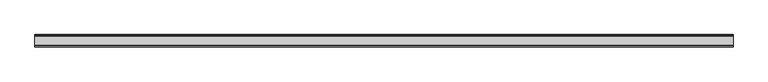
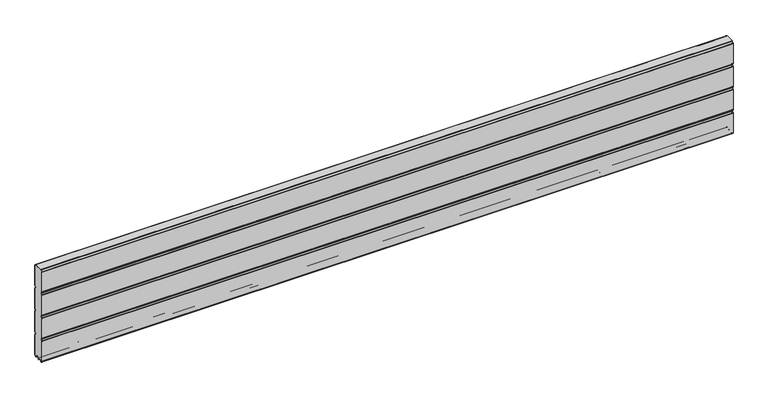
"""IFC4 building model written with IfcOpenShell, lengths in millimetres: plate geometry."""

from ifc_helpers import new_model, si_unit, point, frame, frame_2d, origin, place, context, project, spatial, polyline, circle_curve, trimmed, segment, composite_curve, outline, extrude, source, transform, mapped, element, save


def plate_45418bb8(model_context):
    return source(origin(), model_context, "Body", "SweptSolid", [
        extrude(outline(composite_curve([segment(polyline([(-29.2650466, 451.7624879), (-35.7138292, 458.2112702)]), True, "CONTINUOUS"), segment(trimmed(circle_curve(frame_2d((-34.2991913, 459.6259081)), 2.0006001), [point((-35.7138292, 458.2112702))], [point((-36.2997914, 459.6259081))], False, "CARTESIAN"), True, "CONTINUOUS"), segment(polyline([(-36.2997914, 459.6259081), (-36.2997914, 588.874925)]), True, "CONTINUOUS"), segment(trimmed(circle_curve(frame_2d((-34.3025404, 588.8763112)), 1.9972515), [point((-36.2997914, 588.874925))], [point((-35.7145328, 590.2888589))], False, "CARTESIAN"), True, "CONTINUOUS"), segment(polyline([(-35.7145328, 590.2888589), (-27.7860861, 598.2141893)]), True, "CONTINUOUS"), segment(trimmed(circle_curve(frame_2d((-26.3717262, 596.7992733)), 2.0006002), [point((-27.7860861, 598.2141893))], [point((-26.3717262, 598.7998734))], False, "CARTESIAN"), True, "CONTINUOUS"), segment(polyline([(-26.3717262, 598.7998734), (26.3717262, 598.7998734)]), True, "CONTINUOUS"), segment(trimmed(circle_curve(frame_2d((26.3717262, 596.7992733)), 2.0006002), [point((26.3717262, 598.7998734))], [point((27.7860861, 598.2141893))], False, "CARTESIAN"), True, "CONTINUOUS"), segment(polyline([(27.7860861, 598.2141893), (35.7145328, 590.2888589)]), True, "CONTINUOUS"), segment(trimmed(circle_curve(frame_2d((34.3025404, 588.8763112)), 1.9972515), [point((35.7145328, 590.2888589))], [point((36.2997914, 588.874925))], False, "CARTESIAN"), True, "CONTINUOUS"), segment(polyline([(36.2997914, 588.874925), (36.2997914, 459.6259081)]), True, "CONTINUOUS"), segment(trimmed(circle_curve(frame_2d((34.2991913, 459.6259081)), 2.0006001), [point((36.2997914, 459.6259081))], [point((35.7138292, 458.2112702))], False, "CARTESIAN"), True, "CONTINUOUS"), segment(polyline([(35.7138292, 458.2112702), (29.2650466, 451.7624879)]), True, "CONTINUOUS"), segment(trimmed(circle_curve(frame_2d((31.5325895, 449.4949449)), 3.20679), [point((29.2650466, 451.7624879))], [point((29.114664, 447.3884934))], True, "CARTESIAN"), True, "CONTINUOUS"), segment(polyline([(29.114664, 447.3884934), (35.7138291, 440.7893285)]), True, "CONTINUOUS"), segment(trimmed(circle_curve(frame_2d((34.2991912, 439.3746906)), 2.0006001), [point((35.7138291, 440.7893285))], [point((36.2997913, 439.3746906))], False, "CARTESIAN"), True, "CONTINUOUS"), segment(polyline([(36.2997913, 439.3746906), (36.2997913, 309.6259081)]), True, "CONTINUOUS"), segment(trimmed(circle_curve(frame_2d((34.2991912, 309.6259081)), 2.0006001), [point((36.2997913, 309.6259081))], [point((35.7138291, 308.2112702))], False, "CARTESIAN"), True, "CONTINUOUS"), segment(polyline([(35.7138291, 308.2112702), (29.2650466, 301.7624879)]), True, "CONTINUOUS"), segment(trimmed(circle_curve(frame_2d((31.5325895, 299.4949449)), 3.20679), [point((29.2650466, 301.7624879))], [point((29.4261379, 297.0770195))], True, "CARTESIAN"), True, "CONTINUOUS"), segment(polyline([(29.4261379, 297.0770195), (35.7138291, 290.7893285)]), True, "CONTINUOUS"), segment(trimmed(circle_curve(frame_2d((34.2991912, 289.3746906)), 2.0006001), [point((35.7138291, 290.7893285))], [point((36.2997913, 289.3746906))], False, "CARTESIAN"), True, "CONTINUOUS"), segment(polyline([(36.2997913, 289.3746906), (36.2997913, 159.6246474)]), True, "CONTINUOUS"), segment(trimmed(circle_curve(frame_2d((34.2991912, 159.6246474)), 2.0006001), [point((36.2997913, 159.6246474))], [point((35.7138291, 158.2100095))], False, "CARTESIAN"), True, "CONTINUOUS"), segment(polyline([(35.7138291, 158.2100095), (29.2650466, 151.7612271)]), True, "CONTINUOUS"), segment(trimmed(circle_curve(frame_2d((31.5325895, 149.4936842)), 3.20679), [point((29.2650466, 151.7612271))], [point((29.114664, 147.3872326))], True, "CARTESIAN"), True, "CONTINUOUS"), segment(polyline([(29.114664, 147.3872326), (35.7138292, 140.7880678)]), True, "CONTINUOUS"), segment(trimmed(circle_curve(frame_2d((34.2991912, 139.3734299)), 2.0006001), [point((35.7138292, 140.7880678))], [point((36.2997914, 139.3734299))], False, "CARTESIAN"), True, "CONTINUOUS"), segment(polyline([(36.2997914, 139.3734299), (36.2997914, 10.1250796)]), True, "CONTINUOUS"), segment(trimmed(circle_curve(frame_2d((34.299192, 10.1250796)), 2.0005994), [point((36.2997914, 10.1250796))], [point((35.7138294, 8.7104422))], False, "CARTESIAN"), True, "CONTINUOUS"), segment(polyline([(35.7138294, 8.7104422), (28.7893255, 1.7859383)]), True, "CONTINUOUS"), segment(trimmed(circle_curve(frame_2d((27.3158157, 3.2594482)), 2.0838576), [point((28.7893255, 1.7859383))], [point((25.2327947, 3.2004014))], False, "CARTESIAN"), True, "CONTINUOUS"), segment(polyline([(25.2327947, 3.2004014), (25.2327947, 7.9999453)]), True, "CONTINUOUS"), segment(trimmed(circle_curve(frame_2d((22.0323933, 7.9999453)), 3.2004014), [point((25.2327947, 7.9999453))], [point((22.0323933, 11.2003467))], True, "CARTESIAN"), True, "CONTINUOUS"), segment(polyline([(22.0323933, 11.2003467), (3.1993432, 11.2003467)]), True, "CONTINUOUS"), segment(trimmed(circle_curve(frame_2d((3.1993432, 8.0010035)), 3.1993432), [point((3.1993432, 11.2003467))], [point((0.0, 8.0010035))], True, "CARTESIAN"), True, "CONTINUOUS"), segment(trimmed(circle_curve(frame_2d((-3.1993432, 8.0010035)), 3.1993432), [point((0.0, 8.0010035))], [point((-3.1993432, 11.2003467))], True, "CARTESIAN"), True, "CONTINUOUS"), segment(polyline([(-3.1993432, 11.2003467), (-22.0323933, 11.2003467)]), True, "CONTINUOUS"), segment(trimmed(circle_curve(frame_2d((-22.0323933, 7.9999453)), 3.2004014), [point((-22.0323933, 11.2003467))], [point((-25.2327947, 7.9999453))], True, "CARTESIAN"), True, "CONTINUOUS"), segment(polyline([(-25.2327947, 7.9999453), (-25.2327947, 3.2004014)]), True, "CONTINUOUS"), segment(trimmed(circle_curve(frame_2d((-27.3158157, 3.2594482)), 2.0838576), [point((-25.2327947, 3.2004014))], [point((-28.7893255, 1.7859383))], False, "CARTESIAN"), True, "CONTINUOUS"), segment(polyline([(-28.7893255, 1.7859383), (-35.7138294, 8.7104422)]), True, "CONTINUOUS"), segment(trimmed(circle_curve(frame_2d((-34.299192, 10.1250796)), 2.0005994), [point((-35.7138294, 8.7104422))], [point((-36.2997914, 10.1250796))], False, "CARTESIAN"), True, "CONTINUOUS"), segment(polyline([(-36.2997914, 10.1250796), (-36.2997914, 139.3734299)]), True, "CONTINUOUS"), segment(trimmed(circle_curve(frame_2d((-34.2991912, 139.3734299)), 2.0006001), [point((-36.2997914, 139.3734299))], [point((-35.7138292, 140.7880678))], False, "CARTESIAN"), True, "CONTINUOUS"), segment(polyline([(-35.7138292, 140.7880678), (-29.114664, 147.3872326)]), True, "CONTINUOUS"), segment(trimmed(circle_curve(frame_2d((-31.5325895, 149.4936842)), 3.20679), [point((-29.114664, 147.3872326))], [point((-29.2650466, 151.7612271))], True, "CARTESIAN"), True, "CONTINUOUS"), segment(polyline([(-29.2650466, 151.7612271), (-35.7138291, 158.2100095)]), True, "CONTINUOUS"), segment(trimmed(circle_curve(frame_2d((-34.2991912, 159.6246474)), 2.0006001), [point((-35.7138291, 158.2100095))], [point((-36.2997913, 159.6246474))], False, "CARTESIAN"), True, "CONTINUOUS"), segment(polyline([(-36.2997913, 159.6246474), (-36.2997913, 289.3746906)]), True, "CONTINUOUS"), segment(trimmed(circle_curve(frame_2d((-34.2991912, 289.3746906)), 2.0006001), [point((-36.2997913, 289.3746906))], [point((-35.7138291, 290.7893285))], False, "CARTESIAN"), True, "CONTINUOUS"), segment(polyline([(-35.7138291, 290.7893285), (-29.4261379, 297.0770195)]), True, "CONTINUOUS"), segment(trimmed(circle_curve(frame_2d((-31.5325895, 299.4949449)), 3.20679), [point((-29.4261379, 297.0770195))], [point((-29.2650466, 301.7624879))], True, "CARTESIAN"), True, "CONTINUOUS"), segment(polyline([(-29.2650466, 301.7624879), (-35.7138291, 308.2112702)]), True, "CONTINUOUS"), segment(trimmed(circle_curve(frame_2d((-34.2991912, 309.6259081)), 2.0006001), [point((-35.7138291, 308.2112702))], [point((-36.2997913, 309.6259081))], False, "CARTESIAN"), True, "CONTINUOUS"), segment(polyline([(-36.2997913, 309.6259081), (-36.2997913, 439.3746906)]), True, "CONTINUOUS"), segment(trimmed(circle_curve(frame_2d((-34.2991912, 439.3746906)), 2.0006001), [point((-36.2997913, 439.3746906))], [point((-35.7138291, 440.7893285))], False, "CARTESIAN"), True, "CONTINUOUS"), segment(polyline([(-35.7138291, 440.7893285), (-29.114664, 447.3884934)]), True, "CONTINUOUS"), segment(trimmed(circle_curve(frame_2d((-31.5325895, 449.4949449)), 3.20679), [point((-29.114664, 447.3884934))], [point((-29.2650466, 451.7624879))], True, "CARTESIAN"), True, "CONTINUOUS")], self_intersect=False)), frame((-2116.85, 0.0, 0.0), z_axis=(1.0, 0.0, 0.0), x_axis=(0.0, 1.0, 0.0)), (0.0, 0.0, 1.0), 4233.7),
        extrude(outline(composite_curve([segment(trimmed(circle_curve(frame_2d((-34.299418, 588.8742584)), 3.200524), [point((-37.499942, 588.8742584))], [point((-36.5622582, 591.1376426))], False, "CARTESIAN"), True, "CONTINUOUS"), segment(polyline([(-36.5622582, 591.1376426), (-28.6355395, 599.0624563)]), True, "CONTINUOUS"), segment(trimmed(circle_curve(frame_2d((-26.3720296, 596.7984023)), 3.2014711), [point((-28.6355395, 599.0624563))], [point((-26.3720296, 599.9998734))], False, "CARTESIAN"), True, "CONTINUOUS"), segment(polyline([(-26.3720296, 599.9998734), (26.3720296, 599.9998734)]), True, "CONTINUOUS"), segment(trimmed(circle_curve(frame_2d((26.3720296, 596.7984023)), 3.2014711), [point((26.3720296, 599.9998734))], [point((28.6355395, 599.0624563))], False, "CARTESIAN"), True, "CONTINUOUS"), segment(polyline([(28.6355395, 599.0624563), (36.5622582, 591.1376426)]), True, "CONTINUOUS"), segment(trimmed(circle_curve(frame_2d((34.299418, 588.8742584)), 3.200524), [point((36.5622582, 591.1376426))], [point((37.499942, 588.8742584))], False, "CARTESIAN"), True, "CONTINUOUS"), segment(polyline([(37.499942, 588.8742584), (37.499942, 459.6259081)]), True, "CONTINUOUS"), segment(trimmed(circle_curve(frame_2d((34.3010265, 459.6259081)), 3.1989155), [point((37.499942, 459.6259081))], [point((36.5630013, 457.3639333))], False, "CARTESIAN"), True, "CONTINUOUS"), segment(polyline([(36.5630013, 457.3639333), (30.1138303, 450.9147625)]), True, "CONTINUOUS"), segment(trimmed(circle_curve(frame_2d((31.5282934, 449.5002993)), 2.000353), [point((30.1138303, 450.9147625))], [point((30.1138303, 448.0858362))], True, "CARTESIAN"), True, "CONTINUOUS"), segment(polyline([(30.1138303, 448.0858362), (36.5630013, 441.6366654)]), True, "CONTINUOUS"), segment(trimmed(circle_curve(frame_2d((34.3010265, 439.3746906)), 3.1989154), [point((36.5630013, 441.6366654))], [point((37.4999419, 439.3746906))], False, "CARTESIAN"), True, "CONTINUOUS"), segment(polyline([(37.4999419, 439.3746906), (37.4999419, 309.6259081)]), True, "CONTINUOUS"), segment(trimmed(circle_curve(frame_2d((34.3010265, 309.6259081)), 3.1989154), [point((37.4999419, 309.6259081))], [point((36.5630013, 307.3639333))], False, "CARTESIAN"), True, "CONTINUOUS"), segment(polyline([(36.5630013, 307.3639333), (30.1138303, 300.9147625)]), True, "CONTINUOUS"), segment(trimmed(circle_curve(frame_2d((31.5282934, 299.5002993)), 2.000353), [point((30.1138303, 300.9147625))], [point((30.1138303, 298.0858362))], True, "CARTESIAN"), True, "CONTINUOUS"), segment(polyline([(30.1138303, 298.0858362), (36.5630013, 291.6366654)]), True, "CONTINUOUS"), segment(trimmed(circle_curve(frame_2d((34.3010265, 289.3746906)), 3.1989154), [point((36.5630013, 291.6366654))], [point((37.4999419, 289.3746906))], False, "CARTESIAN"), True, "CONTINUOUS"), segment(polyline([(37.4999419, 289.3746906), (37.4999419, 159.6246474)]), True, "CONTINUOUS"), segment(trimmed(circle_curve(frame_2d((34.3010265, 159.6246474)), 3.1989154), [point((37.4999419, 159.6246474))], [point((36.5630013, 157.3626726))], False, "CARTESIAN"), True, "CONTINUOUS"), segment(polyline([(36.5630013, 157.3626726), (30.1138303, 150.9135018)]), True, "CONTINUOUS"), segment(trimmed(circle_curve(frame_2d((31.5282934, 149.4990386)), 2.000353), [point((30.1138303, 150.9135018))], [point((30.1138303, 148.0845755))], True, "CARTESIAN"), True, "CONTINUOUS"), segment(polyline([(30.1138303, 148.0845755), (36.5630013, 141.6354046)]), True, "CONTINUOUS"), segment(trimmed(circle_curve(frame_2d((34.3010265, 139.3734298)), 3.1989154), [point((36.5630013, 141.6354046))], [point((37.4999419, 139.3734298))], False, "CARTESIAN"), True, "CONTINUOUS"), segment(polyline([(37.4999419, 139.3734298), (37.4999419, 10.1250796)]), True, "CONTINUOUS"), segment(trimmed(circle_curve(frame_2d((34.3010265, 10.1250796)), 3.1989154), [point((37.4999419, 10.1250796))], [point((36.5630004, 7.8631039))], False, "CARTESIAN"), True, "CONTINUOUS"), segment(polyline([(36.5630004, 7.8631039), (29.6332576, 0.9333666)]), True, "CONTINUOUS"), segment(trimmed(circle_curve(frame_2d((27.311397, 3.255229)), 3.283608), [point((29.6332576, 0.9333666))], [point((24.0283217, 3.1960843))], False, "CARTESIAN"), True, "CONTINUOUS"), segment(polyline([(24.0283217, 3.1960843), (24.0326442, 7.9999453)]), True, "CONTINUOUS"), segment(trimmed(circle_curve(frame_2d((22.0341915, 8.0017435)), 1.9984535), [point((24.0326442, 7.9999453))], [point((22.0323933, 10.0001962))], True, "CARTESIAN"), True, "CONTINUOUS"), segment(polyline([(22.0323933, 10.0001962), (3.1993432, 10.0001962)]), True, "CONTINUOUS"), segment(trimmed(circle_curve(frame_2d((3.1993432, 8.0010035)), 1.9991927), [point((3.1993432, 10.0001962))], [point((1.2001505, 8.0010035))], True, "CARTESIAN"), True, "CONTINUOUS"), segment(polyline([(1.2001505, 8.0010035), (1.2001504, 0.0), (0.0, 0.0), (-1.2001504, 0.0), (-1.2001504, 8.0010034)]), True, "CONTINUOUS"), segment(trimmed(circle_curve(frame_2d((-3.1993432, 8.0010035)), 1.9991928), [point((-1.2001504, 8.0010034))], [point((-3.1993432, 10.0001963))], True, "CARTESIAN"), True, "CONTINUOUS"), segment(polyline([(-3.1993432, 10.0001963), (-22.0323933, 10.0001962)]), True, "CONTINUOUS"), segment(trimmed(circle_curve(frame_2d((-22.0341915, 8.0017435)), 1.9984535), [point((-22.0323933, 10.0001962))], [point((-24.0326442, 7.9999453))], True, "CARTESIAN"), True, "CONTINUOUS"), segment(polyline([(-24.0326442, 7.9999453), (-24.0283217, 3.1960843)]), True, "CONTINUOUS"), segment(trimmed(circle_curve(frame_2d((-27.311397, 3.255229)), 3.283608), [point((-24.0283217, 3.1960843))], [point((-29.6332576, 0.9333666))], False, "CARTESIAN"), True, "CONTINUOUS"), segment(polyline([(-29.6332576, 0.9333666), (-36.5630004, 7.8631039)]), True, "CONTINUOUS"), segment(trimmed(circle_curve(frame_2d((-34.3010265, 10.1250796)), 3.1989154), [point((-36.5630004, 7.8631039))], [point((-37.4999419, 10.1250796))], False, "CARTESIAN"), True, "CONTINUOUS"), segment(polyline([(-37.4999419, 10.1250796), (-37.4999419, 139.3734298)]), True, "CONTINUOUS"), segment(trimmed(circle_curve(frame_2d((-34.3010265, 139.3734298)), 3.1989154), [point((-37.4999419, 139.3734298))], [point((-36.5630013, 141.6354046))], False, "CARTESIAN"), True, "CONTINUOUS"), segment(polyline([(-36.5630013, 141.6354046), (-30.1138303, 148.0845755)]), True, "CONTINUOUS"), segment(trimmed(circle_curve(frame_2d((-31.5282934, 149.4990386)), 2.000353), [point((-30.1138303, 148.0845755))], [point((-30.1138303, 150.9135018))], True, "CARTESIAN"), True, "CONTINUOUS"), segment(polyline([(-30.1138303, 150.9135018), (-36.5630013, 157.3626726)]), True, "CONTINUOUS"), segment(trimmed(circle_curve(frame_2d((-34.3010265, 159.6246474)), 3.1989154), [point((-36.5630013, 157.3626726))], [point((-37.4999419, 159.6246474))], False, "CARTESIAN"), True, "CONTINUOUS"), segment(polyline([(-37.4999419, 159.6246474), (-37.4999419, 289.3746906)]), True, "CONTINUOUS"), segment(trimmed(circle_curve(frame_2d((-34.3010265, 289.3746906)), 3.1989154), [point((-37.4999419, 289.3746906))], [point((-36.5630013, 291.6366653))], False, "CARTESIAN"), True, "CONTINUOUS"), segment(polyline([(-36.5630013, 291.6366653), (-30.1138303, 298.0858362)]), True, "CONTINUOUS"), segment(trimmed(circle_curve(frame_2d((-31.5282934, 299.5002993)), 2.000353), [point((-30.1138303, 298.0858362))], [point((-30.1138303, 300.9147625))], True, "CARTESIAN"), True, "CONTINUOUS"), segment(polyline([(-30.1138303, 300.9147625), (-36.5630013, 307.3639333)]), True, "CONTINUOUS"), segment(trimmed(circle_curve(frame_2d((-34.3010265, 309.6259081)), 3.1989154), [point((-36.5630013, 307.3639333))], [point((-37.4999419, 309.6259081))], False, "CARTESIAN"), True, "CONTINUOUS"), segment(polyline([(-37.4999419, 309.6259081), (-37.4999419, 439.3746906)]), True, "CONTINUOUS"), segment(trimmed(circle_curve(frame_2d((-34.3010265, 439.3746906)), 3.1989154), [point((-37.4999419, 439.3746906))], [point((-36.5630013, 441.6366653))], False, "CARTESIAN"), True, "CONTINUOUS"), segment(polyline([(-36.5630013, 441.6366653), (-30.1138303, 448.0858362)]), True, "CONTINUOUS"), segment(trimmed(circle_curve(frame_2d((-31.5282934, 449.5002993)), 2.000353), [point((-30.1138303, 448.0858362))], [point((-30.1138303, 450.9147625))], True, "CARTESIAN"), True, "CONTINUOUS"), segment(polyline([(-30.1138303, 450.9147625), (-36.5630013, 457.3639333)]), True, "CONTINUOUS"), segment(trimmed(circle_curve(frame_2d((-34.3010265, 459.6259081)), 3.1989155), [point((-36.5630013, 457.3639333))], [point((-37.499942, 459.6259081))], False, "CARTESIAN"), True, "CONTINUOUS"), segment(polyline([(-37.499942, 459.6259081), (-37.499942, 588.8742584)]), True, "CONTINUOUS")], self_intersect=False), holes=[composite_curve([segment(trimmed(circle_curve(frame_2d((-31.5325895, 449.4949449)), 3.20679), [point((-29.2650466, 451.7624879))], [point((-29.114664, 447.3884934))], False, "CARTESIAN"), True, "CONTINUOUS"), segment(polyline([(-29.114664, 447.3884934), (-35.7138291, 440.7893285)]), True, "CONTINUOUS"), segment(trimmed(circle_curve(frame_2d((-34.2991912, 439.3746906)), 2.0006001), [point((-35.7138291, 440.7893285))], [point((-36.2997913, 439.3746906))], True, "CARTESIAN"), True, "CONTINUOUS"), segment(polyline([(-36.2997913, 439.3746906), (-36.2997913, 309.6259081)]), True, "CONTINUOUS"), segment(trimmed(circle_curve(frame_2d((-34.2991912, 309.6259081)), 2.0006001), [point((-36.2997913, 309.6259081))], [point((-35.7138291, 308.2112702))], True, "CARTESIAN"), True, "CONTINUOUS"), segment(polyline([(-35.7138291, 308.2112702), (-29.2650466, 301.7624879)]), True, "CONTINUOUS"), segment(trimmed(circle_curve(frame_2d((-31.5325895, 299.4949449)), 3.20679), [point((-29.2650466, 301.7624879))], [point((-29.4261379, 297.0770195))], False, "CARTESIAN"), True, "CONTINUOUS"), segment(polyline([(-29.4261379, 297.0770195), (-35.7138291, 290.7893285)]), True, "CONTINUOUS"), segment(trimmed(circle_curve(frame_2d((-34.2991912, 289.3746906)), 2.0006001), [point((-35.7138291, 290.7893285))], [point((-36.2997913, 289.3746906))], True, "CARTESIAN"), True, "CONTINUOUS"), segment(polyline([(-36.2997913, 289.3746906), (-36.2997913, 159.6246474)]), True, "CONTINUOUS"), segment(trimmed(circle_curve(frame_2d((-34.2991912, 159.6246474)), 2.0006001), [point((-36.2997913, 159.6246474))], [point((-35.7138291, 158.2100095))], True, "CARTESIAN"), True, "CONTINUOUS"), segment(polyline([(-35.7138291, 158.2100095), (-29.2650466, 151.7612271)]), True, "CONTINUOUS"), segment(trimmed(circle_curve(frame_2d((-31.5325895, 149.4936842)), 3.20679), [point((-29.2650466, 151.7612271))], [point((-29.114664, 147.3872326))], False, "CARTESIAN"), True, "CONTINUOUS"), segment(polyline([(-29.114664, 147.3872326), (-35.7138292, 140.7880677)]), True, "CONTINUOUS"), segment(trimmed(circle_curve(frame_2d((-34.2991912, 139.3734298)), 2.0006001), [point((-35.7138292, 140.7880677))], [point((-36.2997914, 139.3734298))], True, "CARTESIAN"), True, "CONTINUOUS"), segment(polyline([(-36.2997914, 139.3734298), (-36.2997914, 10.1250796)]), True, "CONTINUOUS"), segment(trimmed(circle_curve(frame_2d((-34.299192, 10.1250796)), 2.0005994), [point((-36.2997914, 10.1250796))], [point((-35.7138294, 8.7104422))], True, "CARTESIAN"), True, "CONTINUOUS"), segment(polyline([(-35.7138294, 8.7104422), (-28.7893255, 1.7859383)]), True, "CONTINUOUS"), segment(trimmed(circle_curve(frame_2d((-27.3158157, 3.2594482)), 2.0838576), [point((-28.7893255, 1.7859383))], [point((-25.2327947, 3.2004014))], True, "CARTESIAN"), True, "CONTINUOUS"), segment(polyline([(-25.2327947, 3.2004014), (-25.2327947, 7.9999453)]), True, "CONTINUOUS"), segment(trimmed(circle_curve(frame_2d((-22.0323933, 7.9999453)), 3.2004014), [point((-25.2327947, 7.9999453))], [point((-22.0323933, 11.2003467))], False, "CARTESIAN"), True, "CONTINUOUS"), segment(polyline([(-22.0323933, 11.2003467), (-3.1993432, 11.2003467)]), True, "CONTINUOUS"), segment(trimmed(circle_curve(frame_2d((-3.1993432, 8.0010035)), 3.1993432), [point((-3.1993432, 11.2003467))], [point((0.0, 8.0010035))], False, "CARTESIAN"), True, "CONTINUOUS"), segment(trimmed(circle_curve(frame_2d((3.1993432, 8.0010035)), 3.1993432), [point((0.0, 8.0010035))], [point((3.1993432, 11.2003467))], False, "CARTESIAN"), True, "CONTINUOUS"), segment(polyline([(3.1993432, 11.2003467), (22.0323933, 11.2003467)]), True, "CONTINUOUS"), segment(trimmed(circle_curve(frame_2d((22.0323933, 7.9999453)), 3.2004014), [point((22.0323933, 11.2003467))], [point((25.2327947, 7.9999453))], False, "CARTESIAN"), True, "CONTINUOUS"), segment(polyline([(25.2327947, 7.9999453), (25.2327947, 3.2004014)]), True, "CONTINUOUS"), segment(trimmed(circle_curve(frame_2d((27.3158157, 3.2594482)), 2.0838576), [point((25.2327947, 3.2004014))], [point((28.7893255, 1.7859383))], True, "CARTESIAN"), True, "CONTINUOUS"), segment(polyline([(28.7893255, 1.7859383), (35.7138294, 8.7104422)]), True, "CONTINUOUS"), segment(trimmed(circle_curve(frame_2d((34.299192, 10.1250796)), 2.0005994), [point((35.7138294, 8.7104422))], [point((36.2997914, 10.1250796))], True, "CARTESIAN"), True, "CONTINUOUS"), segment(polyline([(36.2997914, 10.1250796), (36.2997914, 139.3734298)]), True, "CONTINUOUS"), segment(trimmed(circle_curve(frame_2d((34.2991912, 139.3734298)), 2.0006001), [point((36.2997914, 139.3734298))], [point((35.7138292, 140.7880678))], True, "CARTESIAN"), True, "CONTINUOUS"), segment(polyline([(35.7138292, 140.7880678), (29.114664, 147.3872326)]), True, "CONTINUOUS"), segment(trimmed(circle_curve(frame_2d((31.5325895, 149.4936842)), 3.20679), [point((29.114664, 147.3872326))], [point((29.2650466, 151.7612271))], False, "CARTESIAN"), True, "CONTINUOUS"), segment(polyline([(29.2650466, 151.7612271), (35.7138291, 158.2100095)]), True, "CONTINUOUS"), segment(trimmed(circle_curve(frame_2d((34.2991912, 159.6246474)), 2.0006001), [point((35.7138291, 158.2100095))], [point((36.2997913, 159.6246474))], True, "CARTESIAN"), True, "CONTINUOUS"), segment(polyline([(36.2997913, 159.6246474), (36.2997913, 289.3746906)]), True, "CONTINUOUS"), segment(trimmed(circle_curve(frame_2d((34.2991912, 289.3746906)), 2.0006001), [point((36.2997913, 289.3746906))], [point((35.7138291, 290.7893285))], True, "CARTESIAN"), True, "CONTINUOUS"), segment(polyline([(35.7138291, 290.7893285), (29.4261379, 297.0770195)]), True, "CONTINUOUS"), segment(trimmed(circle_curve(frame_2d((31.5325895, 299.4949449)), 3.20679), [point((29.4261379, 297.0770195))], [point((29.2650466, 301.7624879))], False, "CARTESIAN"), True, "CONTINUOUS"), segment(polyline([(29.2650466, 301.7624879), (35.7138291, 308.2112702)]), True, "CONTINUOUS"), segment(trimmed(circle_curve(frame_2d((34.2991912, 309.6259081)), 2.0006001), [point((35.7138291, 308.2112702))], [point((36.2997913, 309.6259081))], True, "CARTESIAN"), True, "CONTINUOUS"), segment(polyline([(36.2997913, 309.6259081), (36.2997913, 439.3746906)]), True, "CONTINUOUS"), segment(trimmed(circle_curve(frame_2d((34.2991912, 439.3746906)), 2.0006001), [point((36.2997913, 439.3746906))], [point((35.7138291, 440.7893285))], True, "CARTESIAN"), True, "CONTINUOUS"), segment(polyline([(35.7138291, 440.7893285), (29.114664, 447.3884934)]), True, "CONTINUOUS"), segment(trimmed(circle_curve(frame_2d((31.5325895, 449.4949449)), 3.20679), [point((29.114664, 447.3884934))], [point((29.2650466, 451.7624879))], False, "CARTESIAN"), True, "CONTINUOUS"), segment(polyline([(29.2650466, 451.7624879), (35.7138292, 458.2112702)]), True, "CONTINUOUS"), segment(trimmed(circle_curve(frame_2d((34.2991913, 459.6259081)), 2.0006001), [point((35.7138292, 458.2112702))], [point((36.2997914, 459.6259081))], True, "CARTESIAN"), True, "CONTINUOUS"), segment(polyline([(36.2997914, 459.6259081), (36.2997914, 588.874925)]), True, "CONTINUOUS"), segment(trimmed(circle_curve(frame_2d((34.3025404, 588.8763112)), 1.9972515), [point((36.2997914, 588.874925))], [point((35.7145328, 590.2888589))], True, "CARTESIAN"), True, "CONTINUOUS"), segment(polyline([(35.7145328, 590.2888589), (27.7860861, 598.2141893)]), True, "CONTINUOUS"), segment(trimmed(circle_curve(frame_2d((26.3717262, 596.7992733)), 2.0006002), [point((27.7860861, 598.2141893))], [point((26.3717262, 598.7998734))], True, "CARTESIAN"), True, "CONTINUOUS"), segment(polyline([(26.3717262, 598.7998734), (-26.3717262, 598.7998734)]), True, "CONTINUOUS"), segment(trimmed(circle_curve(frame_2d((-26.3717262, 596.7992733)), 2.0006002), [point((-26.3717262, 598.7998734))], [point((-27.7860861, 598.2141893))], True, "CARTESIAN"), True, "CONTINUOUS"), segment(polyline([(-27.7860861, 598.2141893), (-35.7145328, 590.2888589)]), True, "CONTINUOUS"), segment(trimmed(circle_curve(frame_2d((-34.3025404, 588.8763112)), 1.9972515), [point((-35.7145328, 590.2888589))], [point((-36.2997914, 588.874925))], True, "CARTESIAN"), True, "CONTINUOUS"), segment(polyline([(-36.2997914, 588.874925), (-36.2997914, 459.6259081)]), True, "CONTINUOUS"), segment(trimmed(circle_curve(frame_2d((-34.2991913, 459.6259081)), 2.0006001), [point((-36.2997914, 459.6259081))], [point((-35.7138292, 458.2112702))], True, "CARTESIAN"), True, "CONTINUOUS"), segment(polyline([(-35.7138292, 458.2112702), (-29.2650466, 451.7624879)]), True, "CONTINUOUS")], self_intersect=False)]), frame((-2116.85, 0.0, 0.0), z_axis=(1.0, 0.0, 0.0), x_axis=(0.0, 1.0, 0.0)), (0.0, 0.0, 1.0), 4233.7),
    ])


if __name__ == "__main__":
    model = new_model("IFC4")
    model_context = context("Model", 3, world=origin())
    ifc_project = project(units=[si_unit("LENGTHUNIT", "METRE", prefix="MILLI")], contexts=[model_context])
    site = spatial("IfcSite", under=ifc_project)
    building = spatial("IfcBuilding", under=site)
    placement = place(None, origin())
    plate_shape = plate_45418bb8(model_context)
    element("IfcPlate", 1, at=placement, inside=building, context=model_context, shape_type="MappedRepresentation", body=[
        mapped(plate_shape, transform((0.0, 0.0, 0.0), x_axis=(1.0, 0.0, 0.0), y_axis=(0.0, 1.0, 0.0), z_axis=(0.0, 0.0, 1.0))),
    ])
    save(model, "model.ifc")
